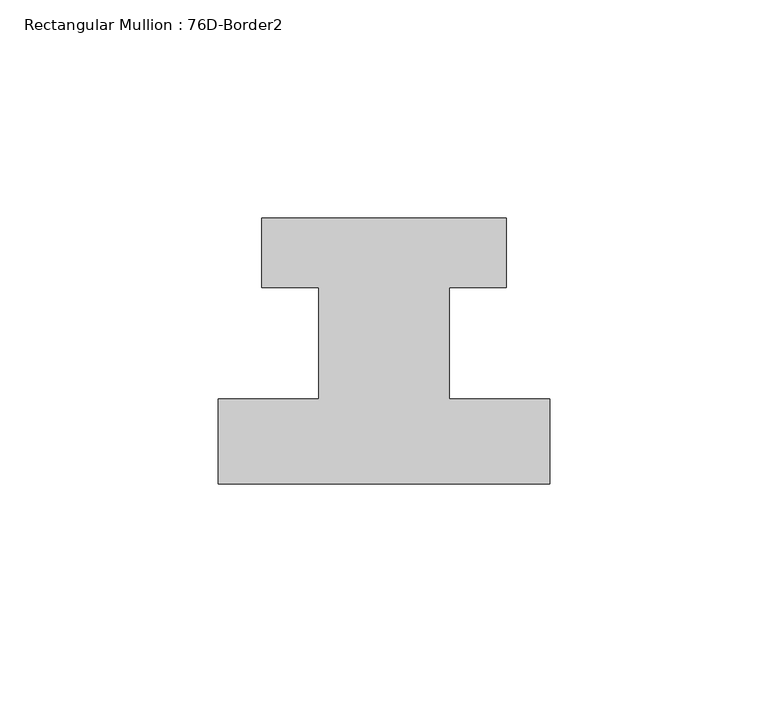
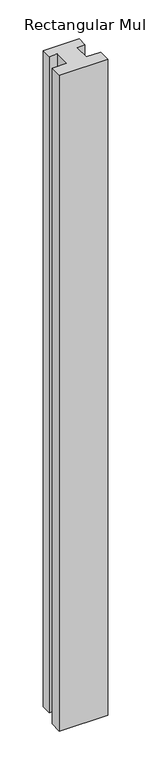
"""IFC4 building model written with IfcOpenShell, lengths in millimetres: member geometry, Rectangular Mullion : 76D-Border2."""

from ifc_helpers import new_model, si_unit, frame, origin, place, context, project, spatial, polyline, outline, extrude, source, transform, mapped, element, save


def rectangular_mullion_76d_border2_609db3e9(model_context):
    return source(origin(), model_context, "Body", "SweptSolid", [
        extrude(outline(polyline([(0.0, -20.0), (-76.0, -20.0), (-76.0, -0.5), (-53.0, -0.5), (-53.0, 25.0), (-66.0, 25.0), (-66.0, 41.0), (-10.0, 41.0), (-10.0, 25.0), (-23.0, 25.0), (-23.0, -0.5), (0.0, -0.5), (0.0, -20.0)])), frame((0.0, 0.0, -1086.0), z_axis=(0.0, 0.0, 1.0), x_axis=(1.0, 0.0, 0.0)), (0.0, 0.0, 1.0), 1086.0),
    ])


if __name__ == "__main__":
    model = new_model("IFC4")
    model_context = context("Model", 3, world=origin())
    ifc_project = project(units=[si_unit("LENGTHUNIT", "METRE", prefix="MILLI")], contexts=[model_context])
    site = spatial("IfcSite", under=ifc_project)
    building = spatial("IfcBuilding", under=site)
    placement = place(None, origin())
    rectangular_mullion_76d_border2_shape = rectangular_mullion_76d_border2_609db3e9(model_context)
    element("IfcMember", 1, ObjectType="Rectangular Mullion : 76D-Border2", at=placement, inside=building, context=model_context, shape_type="MappedRepresentation", body=[
        mapped(rectangular_mullion_76d_border2_shape, transform((0.0, 0.0, 0.0), x_axis=(1.0, 0.0, 0.0), y_axis=(0.0, 1.0, 0.0), z_axis=(0.0, 0.0, 1.0))),
    ])
    save(model, "model.ifc")
